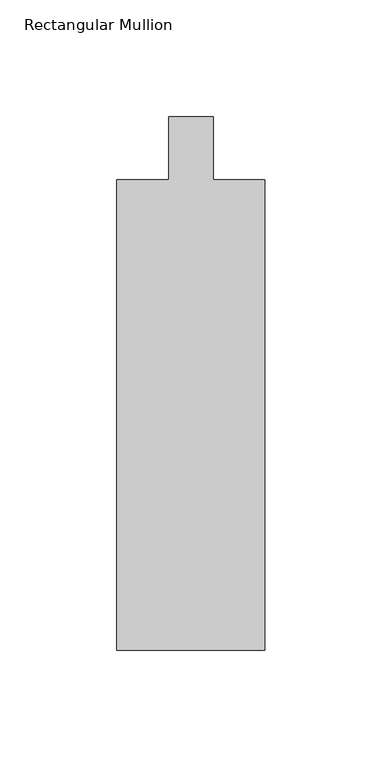
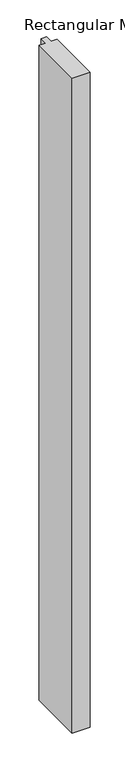
"""IFC4 building model written with IfcOpenShell, lengths in millimetres: member geometry, Rectangular Mullion."""

from ifc_helpers import new_model, si_unit, frame, origin, place, context, project, spatial, polyline, outline, extrude, source, transform, mapped, element, save


def rectangular_mullion_2ba164b7(model_context):
    return source(origin(), model_context, "Body", "SweptSolid", [
        extrude(outline(polyline([(31.75, -228.6), (-31.75, -228.6), (-31.75, -26.9875), (-9.525, -26.9875), (-9.525, 0.0), (9.525, 0.0), (9.525, -26.9875), (31.75, -26.9875), (31.75, -228.6)])), frame((0.0, 0.0, -2438.4), z_axis=(0.0, 0.0, 1.0), x_axis=(1.0, 0.0, 0.0)), (0.0, 0.0, 1.0), 2438.4),
    ])


if __name__ == "__main__":
    model = new_model("IFC4")
    model_context = context("Model", 3, world=origin())
    ifc_project = project(units=[si_unit("LENGTHUNIT", "METRE", prefix="MILLI")], contexts=[model_context])
    site = spatial("IfcSite", under=ifc_project)
    building = spatial("IfcBuilding", under=site)
    placement = place(None, origin())
    rectangular_mullion_shape = rectangular_mullion_2ba164b7(model_context)
    element("IfcMember", 1, ObjectType="Rectangular Mullion", at=placement, inside=building, context=model_context, shape_type="MappedRepresentation", body=[
        mapped(rectangular_mullion_shape, transform((0.0, 0.0, 0.0), x_axis=(1.0, 0.0, 0.0), y_axis=(0.0, 1.0, 0.0), z_axis=(0.0, 0.0, 1.0))),
    ])
    save(model, "model.ifc")
